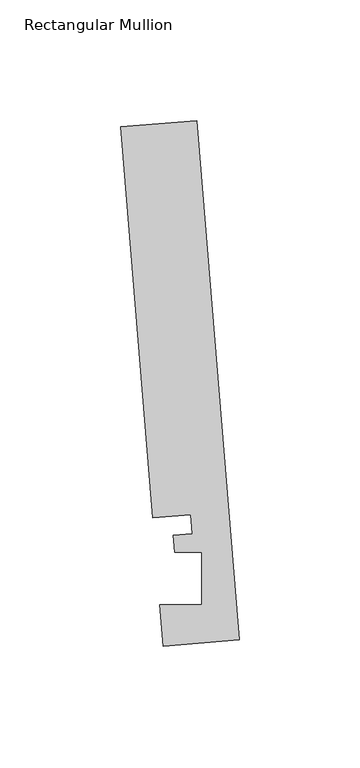
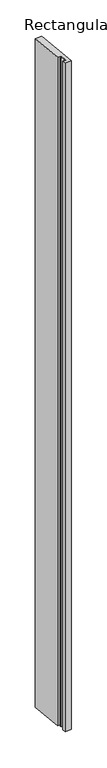
"""IFC4 building model written with IfcOpenShell, lengths in millimetres: member geometry, Rectangular Mullion."""

from ifc_helpers import new_model, si_unit, frame, origin, place, context, project, spatial, polyline, outline, extrude, source, transform, mapped, element, save


def rectangular_mullion_da3e1aa6(model_context):
    return source(origin(), model_context, "Body", "SweptSolid", [
        extrude(outline(polyline([(-0.2190396, 2.6699364), (-31.8627302, 0.0739116), (-33.2772473, 17.315866), (-15.8506254, 17.315866), (-15.848851, 38.9474576), (-27.100463, 38.9474576), (-27.6861262, 46.0862742), (-19.7625461, 46.7363188), (-20.4084371, 54.6092691), (-36.2302824, 53.3112566), (-49.5364672, 215.5041572), (-17.8927766, 218.100182), (-0.2190396, 2.6699364)])), frame((0.0, 0.0, -3364.6686935), z_axis=(0.0, 0.0, 1.0), x_axis=(1.0, 0.0, 0.0)), (0.0, 0.0, 1.0), 3364.6686935),
    ])


if __name__ == "__main__":
    model = new_model("IFC4")
    model_context = context("Model", 3, world=origin())
    ifc_project = project(units=[si_unit("LENGTHUNIT", "METRE", prefix="MILLI")], contexts=[model_context])
    site = spatial("IfcSite", under=ifc_project)
    building = spatial("IfcBuilding", under=site)
    placement = place(None, origin())
    rectangular_mullion_shape = rectangular_mullion_da3e1aa6(model_context)
    element("IfcMember", 1, ObjectType="Rectangular Mullion", at=placement, inside=building, context=model_context, shape_type="MappedRepresentation", body=[
        mapped(rectangular_mullion_shape, transform((0.0, 0.0, 0.0), x_axis=(1.0, 0.0, 0.0), y_axis=(0.0, 1.0, 0.0), z_axis=(0.0, 0.0, 1.0))),
    ])
    save(model, "model.ifc")
